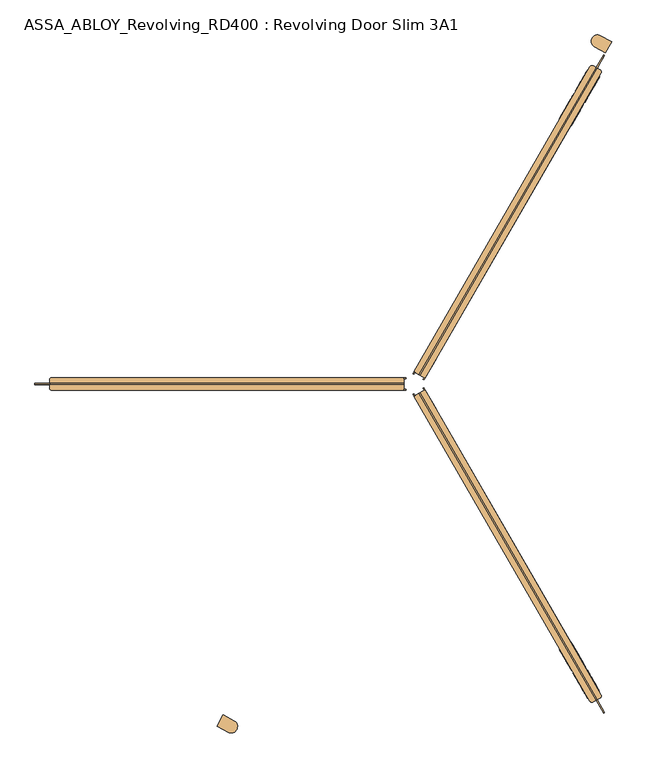
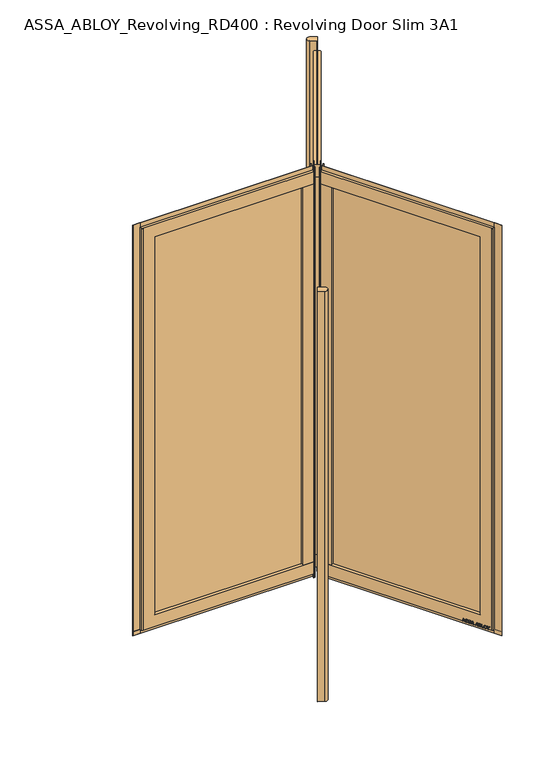
"""IFC4 building model written with IfcOpenShell, lengths in millimetres: door geometry, ASSA_ABLOY_Revolving_RD400 : Revolving Door Slim 3A1."""

from ifc_helpers import new_model, si_unit, point, frame, frame_2d, origin, origin_with_axes, origin_2d, place, context, project, spatial, polyline, circle_curve, trimmed, segment, composite_curve, outline, extrude, source, transform, mapped, element, save
from ifc_brep_helpers import plane_surface, cylinder_surface, advanced_brep


def assa_abloy_revolving_rd400_revolving_door_slim_3a1_2428289f(model_context):
    return source(origin(), model_context, "Body", "SolidModel", [
        extrude(outline(composite_curve([segment(trimmed(circle_curve(origin_2d(), 1200.0), [point((-600.0, -1039.2304845))], [point((-565.0255579, -1058.6529738))], True, "CARTESIAN"), True, "CONTINUOUS"), segment(trimmed(circle_curve(frame_2d((-575.5902563, -1075.6598792)), 20.0211809), [point((-565.0255579, -1058.6529738))], [point((-585.0363192, -1093.3126292))], False, "CARTESIAN"), True, "CONTINUOUS"), segment(trimmed(circle_curve(origin_2d(), 1240.0), [point((-585.0363192, -1093.3126292))], [point((-620.0, -1073.8715007))], False, "CARTESIAN"), True, "CONTINUOUS"), segment(polyline([(-620.0, -1073.8715007), (-600.0, -1039.2304845)]), True, "CONTINUOUS")], self_intersect=False)), origin_with_axes(), (0.0, 0.0, 1.0), 2800.0),
        extrude(outline(composite_curve([segment(trimmed(circle_curve(origin_2d(), 1200.0), [point((600.0, 1039.2304845))], [point((565.0255579, 1058.6529738))], True, "CARTESIAN"), True, "CONTINUOUS"), segment(trimmed(circle_curve(frame_2d((575.5902563, 1075.6598792)), 20.0211809), [point((565.0255579, 1058.6529738))], [point((585.0363192, 1093.3126292))], False, "CARTESIAN"), True, "CONTINUOUS"), segment(trimmed(circle_curve(origin_2d(), 1240.0), [point((585.0363192, 1093.3126292))], [point((620.0, 1073.8715007))], False, "CARTESIAN"), True, "CONTINUOUS"), segment(polyline([(620.0, 1073.8715007), (600.0, 1039.2304845)]), True, "CONTINUOUS")], self_intersect=False)), origin_with_axes(), (0.0, 0.0, 1.0), 2800.0),
        advanced_brep(
        [(-0.8205081, -38.5788383, 28.0), (33.8205081, -18.5788383, 28.0), (586.3205081, -975.5369095, 28.0), (583.3923048, -986.4651127, 28.0), (562.6076952, -998.4651127, 28.0), (551.6794919, -995.5369095, 28.0), (-0.8205081, -38.5788383, 110.0), (514.6794919, -931.4510296, 110.0), (549.3205081, -911.4510296, 110.0), (33.8205081, -18.5788383, 110.0), (33.8205081, -18.5788383, 2689.0), (-0.8205081, -38.5788383, 2689.0), (-0.8205081, -38.5788383, 2771.0), (33.8205081, -18.5788383, 2771.0), (549.3205081, -911.4510296, 2689.0), (514.6794919, -931.4510296, 2689.0), (583.3923048, -986.4651127, 2771.0), (562.6076952, -998.4651127, 2771.0), (551.6794919, -995.5369095, 2771.0), (586.3205081, -975.5369095, 2771.0)],
        [
            (0, 1),
            (1, 2),
            (2, 3, circle_curve(frame((579.3923048, -979.5369095, 28.0), z_axis=(0.0, 0.0, -1.0), x_axis=(-0.8660254037844367, -0.5000000000000033, 0.0)), 8.0)),
            (3, 4),
            (4, 5, circle_curve(frame((558.6076952, -991.5369095, 28.0), z_axis=(0.0, 0.0, -1.0), x_axis=(-0.8660254037844367, -0.5000000000000033, 0.0)), 8.0)),
            (5, 0),
            (6, 7),
            (7, 8),
            (8, 9),
            (9, 6),
            (10, 11),
            (11, 12),
            (12, 13),
            (13, 10),
            (10, 14),
            (14, 15),
            (15, 11),
            (7, 15),
            (14, 8),
            (16, 17),
            (17, 4),
            (3, 16),
            (17, 18, circle_curve(frame((558.6076952, -991.5369095, 2771.0), z_axis=(0.0, 0.0, -1.0), x_axis=(-0.8660254037844367, -0.5000000000000033, 0.0)), 8.0)),
            (18, 5),
            (19, 16, circle_curve(frame((579.3923048, -979.5369095, 2771.0), z_axis=(0.0, 0.0, -1.0), x_axis=(-0.8660254037844367, -0.5000000000000033, 0.0)), 8.0)),
            (2, 19),
            (6, 0),
            (18, 12),
            (1, 9),
            (13, 19),
        ],
        [
            plane_surface(frame((514.6794919, -931.4510296, 28.0), z_axis=(0.0, 0.0, -1.0), x_axis=(-0.5000000000000033, 0.8660254037844367, 0.0))),
            plane_surface(frame((549.3205081, -911.4510296, 110.0), z_axis=(0.0, 0.0, 1.0), x_axis=(-0.5000000000000033, 0.8660254037844367, 0.0))),
            plane_surface(frame((16.5, -28.5788383, 2771.0), z_axis=(-0.5000000000000033, 0.8660254037844367, 0.0), x_axis=(-0.8660254037844367, -0.5000000000000033, 0.0))),
            plane_surface(frame((33.8205081, -18.5788383, 2689.0), z_axis=(0.0, 0.0, -1.0), x_axis=(0.5000000000000033, -0.8660254037844367, 0.0))),
            plane_surface(frame((549.3205081, -911.4510296, 2771.0), z_axis=(-0.5000000000000033, 0.8660254037844367, 0.0), x_axis=(0.0, 0.0, -1.0))),
            plane_surface(frame((562.6076952, -998.4651127, 2771.0), z_axis=(0.5000000000000033, -0.8660254037844367, 0.0), x_axis=(0.0, 0.0, -1.0))),
            cylinder_surface(frame((558.6076952, -991.5369095, 2771.0), z_axis=(0.0, 0.0, 1.0), x_axis=(-0.8660254037844367, -0.5000000000000033, 0.0)), 8.0),
            cylinder_surface(frame((579.3923048, -979.5369095, 2771.0), z_axis=(0.0, 0.0, 1.0), x_axis=(-0.8660254037844367, -0.5000000000000033, 0.0)), 8.0),
            plane_surface(frame((514.6794919, -931.4510296, 110.0), z_axis=(-0.8660254037844367, -0.5000000000000033, 0.0), x_axis=(-0.5000000000000033, 0.8660254037844367, 0.0))),
            plane_surface(frame((549.3205081, -911.4510296, 28.0), z_axis=(0.8660254037844367, 0.5000000000000033, 0.0), x_axis=(-0.5000000000000033, 0.8660254037844367, 0.0))),
            plane_surface(frame((16.5, -28.5788383, 28.0), z_axis=(-0.5000000000000033, 0.8660254037844367, 0.0), x_axis=(-0.8660254037844367, -0.5000000000000033, 0.0))),
            plane_surface(frame((573.0, -992.4651127, 2771.0), z_axis=(0.0, 0.0, 1.0), x_axis=(-0.8660254037844367, -0.5000000000000033, 0.0))),
        ],
        [
            (0, [[1, 2, 3, 4, 5, 6]]),
            (1, [[7, 8, 9, 10]]),
            (2, [[11, 12, 13, 14]]),
            (3, [[-11, 15, 16, 17]]),
            (4, [[-8, 18, -16, 19]]),
            (5, [[20, 21, -4, 22]]),
            (6, [[23, 24, -5, -21]]),
            (7, [[25, -22, -3, 26]]),
            (8, [[-7, 27, -6, -24, 28, -12, -17, -18]]),
            (9, [[29, -9, -19, -15, -14, 30, -26, -2]]),
            (10, [[-27, -10, -29, -1]]),
            (11, [[-28, -23, -20, -25, -30, -13]]),
        ],
    ),
        extrude(outline(polyline([(31.2224319, -20.0788383), (27.7224319, -14.0166605), (30.3205081, -12.5166605), (33.8205081, -18.5788383), (31.2224319, -20.0788383)])), origin_with_axes(), (0.0, 0.0, 1.0), 2800.0),
        extrude(outline(polyline([(68.8205081, -79.2006166), (34.1794919, -99.2006166), (-0.8205081, -38.5788383), (33.8205081, -18.5788383), (68.8205081, -79.2006166)])), frame((0.0, 0.0, 110.0), z_axis=(0.0, 0.0, 1.0), x_axis=(1.0, 0.0, 0.0)), (0.0, 0.0, 1.0), 2579.0),
        extrude(outline(polyline([(594.4844586, -1033.1772796), (571.4844586, -993.340111), (574.5155414, -991.5901145), (597.5155414, -1031.4272831), (594.4844586, -1033.1772796)])), origin_with_axes(), (0.0, 0.0, 1.0), 2800.0),
        extrude(outline(polyline([(594.4844586, -1033.1772796), (14.9844586, -29.4538366), (18.0155414, -27.7038401), (597.5155414, -1031.4272831), (594.4844586, -1033.1772796)])), frame((0.0, 0.0, 2770.0), z_axis=(0.0, 0.0, 1.0), x_axis=(1.0, 0.0, 0.0)), (0.0, 0.0, 1.0), 30.0),
        extrude(outline(polyline([(-1.7224319, -31.0166605), (1.7775681, -37.0788383), (-0.8205081, -38.5788383), (-4.3205081, -32.5166605), (-1.7224319, -31.0166605)])), origin_with_axes(), (0.0, 0.0, 1.0), 2800.0),
        extrude(outline(polyline([(530.4844586, -922.3260279), (49.9844586, -90.0756148), (53.0155414, -88.3256183), (533.5155414, -920.5760314), (530.4844586, -922.3260279)])), frame((0.0, 0.0, 110.0), z_axis=(0.0, 0.0, 1.0), x_axis=(1.0, 0.0, 0.0)), (0.0, 0.0, 1.0), 2579.0),
        extrude(outline(polyline([(594.4844586, -1033.1772796), (14.9844586, -29.4538366), (18.0155414, -27.7038401), (597.5155414, -1031.4272831), (594.4844586, -1033.1772796)])), frame((0.0, 0.0, -2.0), z_axis=(0.0, 0.0, 1.0), x_axis=(1.0, 0.0, 0.0)), (0.0, 0.0, 1.0), 30.0),
        extrude(outline(polyline([(21.1919362, 0.0), (20.214336, -2.6529929), (14.2348715, -2.5853724), (11.2716326, -10.6269535), (15.8652682, -14.4554101), (14.8894584, -17.1035442), (-1.2354289, -3.3526833), (0.0, 0.0), (21.1919362, 0.0)]), holes=[polyline([(11.7626281, -2.5849675), (1.6611384, -2.5160752), (9.3848751, -9.0376682), (11.7626281, -2.5849675)])]), frame((574.7045871, -955.4175442, 47.8848654), z_axis=(0.8660254037844431, 0.499999999999992, 0.0), x_axis=(-0.17288098849125136, 0.299438655729584, -0.9383222555567717)), (0.0, 0.0, 1.0), 2.0),
        extrude(outline(polyline([(3.5121291, 0.0), (5.4926863, -1.2764387), (6.787432, -3.3659463), (7.2092232, -6.1919011), (6.5093631, -9.6341389), (4.8247981, -13.2083906), (2.5145629, -16.157079), (-0.6567352, -15.0446471), (2.4447823, -12.1320668), (4.3562345, -8.7636201), (4.8029446, -4.7524081), (2.9863484, -2.6252693), (0.9295188, -2.6144293), (-0.6628891, -4.2207409), (-1.8238571, -6.2006453), (-3.0893834, -8.4786223), (-6.2388816, -11.6844271), (-9.9996043, -11.7673438), (-13.1300796, -8.3561656), (-12.7977466, -2.5981571), (-11.0920114, 1.0208017), (-9.0699595, 3.711135), (-6.0403681, 2.6484111), (-8.71119, 0.0484616), (-10.6514742, -3.4882218), (-11.0208469, -7.16163), (-9.3614355, -9.1814982), (-7.3063201, -9.1972245), (-5.5118807, -7.3434952), (-4.250422, -5.1162244), (-2.8187321, -2.6852579), (0.0, 0.0), (3.5121291, 0.0)])), frame((562.8396918, -934.8669427, 36.999973), z_axis=(0.8660254037844434, 0.49999999999999223, 0.0), x_axis=(-0.1655035508100835, 0.2866605588361279, -0.9436282629706536)), (0.0, 0.0, 1.0), 2.0),
        extrude(outline(polyline([(3.5121291, 0.0), (5.4926863, -1.2764387), (6.787432, -3.3659463), (7.2092232, -6.1919011), (6.5093631, -9.6341389), (4.8247981, -13.2083906), (2.5145629, -16.157079), (-0.6567352, -15.0446471), (2.4447823, -12.1320668), (4.3562345, -8.7636201), (4.8029446, -4.7524081), (2.9863484, -2.6252693), (0.9295188, -2.6144294), (-0.6628891, -4.2207409), (-1.8238571, -6.2006453), (-3.0893834, -8.4786223), (-6.2388816, -11.6844271), (-9.9996043, -11.7673438), (-13.1300796, -8.3561656), (-12.7977466, -2.5981572), (-11.0920114, 1.0208017), (-9.0699595, 3.711135), (-6.0403681, 2.6484111), (-8.71119, 0.0484616), (-10.6514742, -3.4882218), (-11.0208469, -7.16163), (-9.3614355, -9.1814982), (-7.3063201, -9.1972245), (-5.5118808, -7.3434952), (-4.250422, -5.1162244), (-2.8187321, -2.6852579), (0.0, 0.0), (3.5121291, 0.0)])), frame((553.3943807, -918.507184, 36.999973), z_axis=(0.8660254037844433, 0.4999999999999921, 0.0), x_axis=(-0.1655035508100878, 0.28666055883613534, -0.9436282629706506)), (0.0, 0.0, 1.0), 2.0),
        extrude(outline(polyline([(21.1919362, 0.0), (20.214336, -2.6529929), (14.2348715, -2.5853724), (11.2716326, -10.6269535), (15.8652682, -14.4554101), (14.8894584, -17.1035442), (-1.2354289, -3.3526833), (0.0, 0.0), (21.1919362, 0.0)]), holes=[polyline([(11.7626281, -2.5849675), (1.6611384, -2.5160752), (9.3848751, -9.0376682), (11.7626281, -2.5849675)])]), frame((546.3686538, -906.3382681, 47.8848654), z_axis=(0.8660254037844431, 0.499999999999992, 0.0), x_axis=(-0.17288098849125136, 0.299438655729584, -0.9383222555567717)), (0.0, 0.0, 1.0), 2.0),
        extrude(outline(polyline([(21.1919362, 0.0), (20.214336, -2.6529929), (14.2348715, -2.5853723), (11.2716326, -10.6269535), (15.8652682, -14.4554101), (14.8894584, -17.1035442), (-1.2354289, -3.3526833), (0.0, 0.0), (21.1919362, 0.0)]), holes=[polyline([(11.7626281, -2.5849675), (1.6611384, -2.5160752), (9.3848751, -9.0376682), (11.7626281, -2.5849675)])]), frame((532.1178336, -881.6551234, 47.8848654), z_axis=(0.8660254037844431, 0.499999999999992, 0.0), x_axis=(-0.17288098849125136, 0.299438655729584, -0.9383222555567717)), (0.0, 0.0, 1.0), 2.0),
        extrude(outline(polyline([(3.6247797, 0.0), (5.9232413, -1.3859292), (7.2049821, -3.4426963), (7.5842828, -6.2202287), (6.8194358, -9.6251297), (4.5055294, -16.4081519), (-14.3144162, -9.9880648), (-12.3716711, -4.2930708), (-11.1479956, -1.1951535), (-9.8352433, 0.5920774), (-7.9241126, 1.6554025), (-5.7320771, 1.441087), (-3.7068838, -0.0321766), (-2.8147562, -2.4211002), (0.0, 0.0), (3.6247797, 0.0)]), holes=[polyline([(-5.2214253, -2.9241786), (-9.3653605, -2.9303687), (-10.1960736, -5.1008933), (-11.2627443, -8.2277488), (-5.9304264, -10.0467735), (-4.7734732, -6.6552625), (-5.2214253, -2.9241786)]), polyline([(2.8765907, -2.5461078), (0.9746905, -2.291247), (-0.5832315, -3.1932875), (-1.5099769, -4.5787396), (-2.3470909, -6.7279308), (-3.734766, -10.7957837), (3.1658807, -13.1498156), (4.3362091, -9.7190963), (5.1175974, -6.8751817), (5.1102534, -4.8838351), (4.3679308, -3.4351117), (2.8765907, -2.5461078)])]), frame((519.9254076, -860.5372222, 37.561824), z_axis=(0.8660254037844433, 0.4999999999999922, 0.0), x_axis=(-0.1614314953418267, 0.27960755187386827, -0.9464457138403681)), (0.0, 0.0, 1.0), 2.0),
        extrude(outline(polyline([(2.319901, 0.0), (2.319901, -12.5937481), (-17.5649644, -12.5937481), (-17.5649644, -9.9424327), (0.0, -9.9424327), (0.0, 0.0), (2.319901, 0.0)])), frame((511.2206006, -845.4600542, 30.319901), z_axis=(0.8660254037844433, 0.49999999999999206, 0.0), x_axis=(0.0, 0.0, -1.0)), (0.0, 0.0, 1.0), 2.0),
        extrude(outline(polyline([(3.4755122, 0.0), (6.8343333, -1.6217536), (9.841779, -4.8358203), (11.7934802, -8.7947164), (12.1283676, -12.475947), (10.9175762, -15.7640054), (8.2007386, -18.4707048), (4.7147757, -20.0502836), (1.2097864, -20.048671), (-2.1257686, -18.4422905), (-5.1361655, -15.2239686), (-7.0812776, -11.3109182), (-7.4345588, -7.5668217), (-6.1998493, -4.2905332), (-3.5095377, -1.5864764), (0.0, 0.0), (3.4755122, 0.0)]), holes=[polyline([(7.663169, -6.3468237), (2.8864762, -2.494471), (-2.1788995, -3.4868579), (-4.8960978, -7.8921765), (-2.9575554, -13.7129652), (1.8513939, -17.5618518), (6.8871209, -16.5585186), (9.5892894, -12.1951337), (7.663169, -6.3468237)])]), frame((503.9437238, -832.8561337, 47.5197917), z_axis=(0.8660254037844433, 0.4999999999999921, 0.0), x_axis=(-0.41085457557085336, 0.71162099941088, -0.5699070721880493)), (0.0, 0.0, 1.0), 2.0),
        extrude(outline(polyline([(3.1691504, 0.0), (-4.121967, -11.1645234), (-4.121967, -19.8848654), (-6.7732824, -19.8848654), (-6.7732824, -11.4441543), (-14.0643997, 0.0), (-10.921141, 0.0), (-5.4320896, -8.8964059), (0.0, 0.0), (3.1691504, 0.0)])), frame((493.417432, -814.6240616, 47.8848654), z_axis=(0.8660254037844433, 0.49999999999999206, 0.0), x_axis=(-0.49999999999999206, 0.8660254037844433, 0.0)), (0.0, 0.0, 1.0), 2.0),
        extrude(outline(polyline([(-21.1919363, 1e-07), (0.0, 0.0), (1.2354289, -3.3526833), (-14.8894584, -17.1035441), (-15.8652682, -14.4554101), (-11.2716326, -10.6269535), (-14.2348715, -2.5853724), (-20.214336, -2.6529929), (-21.1919363, 1e-07)]), holes=[polyline([(-11.7626281, -2.5849675), (-9.3848751, -9.0376682), (-1.6611384, -2.5160752), (-11.7626281, -2.5849675)])]), frame((461.2414181, -842.8935706, 47.8848654), z_axis=(0.86602540378444, 0.49999999999999767, 0.0), x_axis=(-0.17288098849125333, 0.299438655729583, 0.9383222555567716)), (0.0, 0.0, 1.0), 2.0),
        extrude(outline(polyline([(-3.5121291, 0.0), (0.0, 0.0), (2.8187321, -2.6852579), (4.250422, -5.1162245), (5.5118808, -7.3434952), (7.3063201, -9.1972246), (9.3614355, -9.1814983), (11.0208469, -7.1616301), (10.6514742, -3.4882218), (8.71119, 0.0484617), (6.0403681, 2.6484111), (9.0699595, 3.711135), (11.0920114, 1.0208016), (12.7977466, -2.5981572), (13.1300796, -8.3561656), (9.9996043, -11.7673439), (6.2388815, -11.6844271), (3.0893834, -8.4786223), (1.8238571, -6.2006452), (0.6628891, -4.2207409), (-0.9295188, -2.6144294), (-2.9863484, -2.6252693), (-4.8029446, -4.7524082), (-4.3562346, -8.76362), (-2.4447822, -12.1320668), (0.6567353, -15.0446472), (-2.5145629, -16.1570791), (-4.8247981, -13.2083906), (-6.5093631, -9.6341389), (-7.2092232, -6.1919012), (-6.787432, -3.3659463), (-5.4926863, -1.2764387), (-3.5121291, 0.0)])), frame((473.1063134, -863.4441721, 36.999973), z_axis=(0.86602540378444, 0.4999999999999977, 0.0), x_axis=(-0.16550355081008533, 0.28666055883612684, 0.9436282629706536)), (0.0, 0.0, 1.0), 2.0),
        extrude(outline(polyline([(-3.5121291, 0.0), (0.0, 0.0), (2.8187321, -2.6852579), (4.250422, -5.1162245), (5.5118808, -7.3434952), (7.3063201, -9.1972246), (9.3614355, -9.1814983), (11.0208469, -7.1616301), (10.6514742, -3.4882218), (8.71119, 0.0484617), (6.0403681, 2.6484111), (9.0699595, 3.711135), (11.0920114, 1.0208016), (12.7977466, -2.5981572), (13.1300796, -8.3561656), (9.9996043, -11.7673439), (6.2388815, -11.6844271), (3.0893834, -8.4786223), (1.8238571, -6.2006452), (0.6628891, -4.2207409), (-0.9295188, -2.6144294), (-2.9863484, -2.6252693), (-4.8029446, -4.7524082), (-4.3562346, -8.76362), (-2.4447822, -12.1320668), (0.6567353, -15.0446472), (-2.5145629, -16.1570791), (-4.8247981, -13.2083906), (-6.5093631, -9.6341389), (-7.2092232, -6.1919012), (-6.787432, -3.3659463), (-5.4926863, -1.2764387), (-3.5121291, 0.0)])), frame((482.5516245, -879.8039308, 36.999973), z_axis=(0.86602540378444, 0.4999999999999977, 0.0), x_axis=(-0.16550355081008533, 0.28666055883612684, 0.9436282629706536)), (0.0, 0.0, 1.0), 2.0),
        extrude(outline(polyline([(-21.1919363, 1e-07), (0.0, 0.0), (1.2354289, -3.3526833), (-14.8894584, -17.103544), (-15.8652682, -14.4554101), (-11.2716326, -10.6269535), (-14.2348715, -2.5853723), (-20.214336, -2.6529929), (-21.1919363, 1e-07)]), holes=[polyline([(-11.7626281, -2.5849674), (-9.3848751, -9.0376682), (-1.6611384, -2.5160752), (-11.7626281, -2.5849674)])]), frame((489.5773513, -891.9728467, 47.8848654), z_axis=(0.86602540378444, 0.49999999999999767, 0.0), x_axis=(-0.17288098849125333, 0.299438655729583, 0.9383222555567716)), (0.0, 0.0, 1.0), 2.0),
        extrude(outline(polyline([(-21.1919363, 1e-07), (0.0, 0.0), (1.2354289, -3.3526833), (-14.8894584, -17.1035441), (-15.8652682, -14.4554101), (-11.2716326, -10.6269535), (-14.2348715, -2.5853724), (-20.214336, -2.6529929), (-21.1919363, 1e-07)]), holes=[polyline([(-11.7626281, -2.5849675), (-9.3848751, -9.0376681), (-1.6611384, -2.5160752), (-11.7626281, -2.5849675)])]), frame((503.8281716, -916.6559914, 47.8848654), z_axis=(0.86602540378444, 0.49999999999999767, 0.0), x_axis=(-0.17288098849125333, 0.299438655729583, 0.9383222555567716)), (0.0, 0.0, 1.0), 2.0),
        extrude(outline(polyline([(-3.6247797, -1e-07), (0.0, 0.0), (2.8147562, -2.4211002), (3.7068839, -0.0321766), (5.7320771, 1.441087), (7.9241126, 1.6554025), (9.8352432, 0.5920774), (11.1479956, -1.1951535), (12.3716711, -4.2930708), (14.3144162, -9.9880648), (-4.5055294, -16.4081519), (-6.8194358, -9.6251298), (-7.5842828, -6.2202288), (-7.204982, -3.4426963), (-5.9232413, -1.3859292), (-3.6247797, -1e-07)]), holes=[polyline([(5.2214253, -2.9241787), (4.7734732, -6.6552624), (5.9304264, -10.0467735), (11.2627443, -8.2277488), (10.1960736, -5.1008933), (9.3653605, -2.9303688), (5.2214253, -2.9241787)]), polyline([(-2.8765906, -2.5461079), (-4.3679308, -3.4351117), (-5.1102534, -4.8838351), (-5.1175974, -6.8751818), (-4.3362091, -9.7190964), (-3.1658807, -13.1498156), (3.734766, -10.7957837), (2.347091, -6.7279308), (1.5099769, -4.5787397), (0.5832315, -3.1932876), (-0.9746905, -2.291247), (-2.8765906, -2.5461079)])]), frame((516.0205975, -937.7738927, 37.561824), z_axis=(0.8660254037844402, 0.4999999999999977, 0.0), x_axis=(-0.1614314953418285, 0.2796075518738672, 0.9464457138403681)), (0.0, 0.0, 1.0), 2.0),
        extrude(outline(polyline([(-2.319901, 0.0), (0.0, 0.0), (0.0, -9.9424327), (17.5649644, -9.9424327), (17.5649644, -12.5937481), (-2.319901, -12.5937481), (-2.319901, 0.0)])), frame((524.7254045, -952.8510606, 30.319901), z_axis=(0.86602540378444, 0.49999999999999767, 0.0), x_axis=(0.0, 0.0, 1.0)), (0.0, 0.0, 1.0), 2.0),
        extrude(outline(polyline([(-3.4755122, 0.0), (0.0, 0.0), (3.5095376, -1.5864763), (6.1998493, -4.2905332), (7.4345587, -7.5668217), (7.0812776, -11.3109182), (5.1361655, -15.2239686), (2.1257687, -18.4422905), (-1.2097864, -20.048671), (-4.7147757, -20.0502836), (-8.2007387, -18.4707048), (-10.9175762, -15.7640054), (-12.1283676, -12.475947), (-11.7934802, -8.7947164), (-9.8417791, -4.8358203), (-6.8343334, -1.6217536), (-3.4755122, 0.0)]), holes=[polyline([(-7.6631689, -6.3468237), (-9.5892893, -12.1951337), (-6.8871209, -16.5585186), (-1.8513938, -17.5618518), (2.9575554, -13.7129652), (4.8960978, -7.8921765), (2.1788995, -3.4868579), (-2.8864763, -2.494471), (-7.6631689, -6.3468237)])]), frame((532.0022814, -965.4549811, 47.5197917), z_axis=(0.8660254037844402, 0.49999999999999767, 0.0), x_axis=(-0.41085457557085897, 0.7116209994108791, 0.5699070721880464)), (0.0, 0.0, 1.0), 2.0),
        extrude(outline(polyline([(-3.1691504, 0.0), (0.0, 0.0), (5.4320896, -8.8964059), (10.921141, 0.0), (14.0643996, 0.0), (6.7732822, -11.4441543), (6.7732822, -19.8848654), (4.1219669, -19.8848654), (4.1219669, -11.1645234), (-3.1691504, 0.0)])), frame((542.5285731, -983.6870532, 47.8848654), z_axis=(0.86602540378444, 0.49999999999999767, 0.0), x_axis=(-0.49999999999999767, 0.86602540378444, 0.0)), (0.0, 0.0, 1.0), 2.0),
        advanced_brep(
        [(33.8205081, 18.5788383, 28.0), (-0.8205081, 38.5788383, 28.0), (551.6794919, 995.5369095, 28.0), (562.6076952, 998.4651127, 28.0), (583.3923048, 986.4651127, 28.0), (586.3205081, 975.5369095, 28.0), (33.8205081, 18.5788383, 110.0), (549.3205081, 911.4510296, 110.0), (514.6794919, 931.4510296, 110.0), (-0.8205081, 38.5788383, 110.0), (-0.8205081, 38.5788383, 2689.0), (33.8205081, 18.5788383, 2689.0), (33.8205081, 18.5788383, 2771.0), (-0.8205081, 38.5788383, 2771.0), (514.6794919, 931.4510296, 2689.0), (549.3205081, 911.4510296, 2689.0), (562.6076952, 998.4651127, 2771.0), (583.3923048, 986.4651127, 2771.0), (586.3205081, 975.5369095, 2771.0), (551.6794919, 995.5369095, 2771.0)],
        [
            (0, 1),
            (1, 2),
            (2, 3, circle_curve(frame((558.6076952, 991.5369095, 28.0), z_axis=(0.0, 0.0, -1.0), x_axis=(0.8660254037844428, -0.49999999999999295, 0.0)), 8.0)),
            (3, 4),
            (4, 5, circle_curve(frame((579.3923048, 979.5369095, 28.0), z_axis=(0.0, 0.0, -1.0), x_axis=(0.8660254037844428, -0.49999999999999295, 0.0)), 8.0)),
            (5, 0),
            (6, 7),
            (7, 8),
            (8, 9),
            (9, 6),
            (10, 11),
            (11, 12),
            (12, 13),
            (13, 10),
            (10, 14),
            (14, 15),
            (15, 11),
            (7, 15),
            (14, 8),
            (16, 17),
            (17, 4),
            (3, 16),
            (17, 18, circle_curve(frame((579.3923048, 979.5369095, 2771.0), z_axis=(0.0, 0.0, -1.0), x_axis=(0.8660254037844428, -0.49999999999999295, 0.0)), 8.0)),
            (18, 5),
            (19, 16, circle_curve(frame((558.6076952, 991.5369095, 2771.0), z_axis=(0.0, 0.0, -1.0), x_axis=(0.8660254037844428, -0.49999999999999295, 0.0)), 8.0)),
            (2, 19),
            (6, 0),
            (18, 12),
            (1, 9),
            (13, 19),
        ],
        [
            plane_surface(frame((549.3205081, 911.4510296, 28.0), z_axis=(0.0, 0.0, -1.0000000000000002), x_axis=(-0.49999999999999295, -0.8660254037844428, 0.0))),
            plane_surface(frame((514.6794919, 931.4510296, 110.0), z_axis=(0.0, 0.0, 1.0000000000000002), x_axis=(-0.49999999999999295, -0.8660254037844428, 0.0))),
            plane_surface(frame((16.5, 28.5788383, 2771.0), z_axis=(-0.49999999999999295, -0.8660254037844428, 0.0), x_axis=(0.8660254037844428, -0.49999999999999295, 0.0))),
            plane_surface(frame((-0.8205081, 38.5788383, 2689.0), z_axis=(0.0, 0.0, -1.0000000000000002), x_axis=(0.49999999999999295, 0.8660254037844428, 0.0))),
            plane_surface(frame((514.6794919, 931.4510296, 2771.0), z_axis=(-0.49999999999999295, -0.8660254037844428, 0.0), x_axis=(0.0, 0.0, -1.0))),
            plane_surface(frame((583.3923048, 986.4651127, 2771.0), z_axis=(0.49999999999999295, 0.8660254037844428, 0.0), x_axis=(0.0, 0.0, -1.0))),
            cylinder_surface(frame((579.3923048, 979.5369095, 2771.0), z_axis=(0.0, 0.0, 1.0), x_axis=(0.8660254037844428, -0.49999999999999295, 0.0)), 8.0),
            cylinder_surface(frame((558.6076952, 991.5369095, 2771.0), z_axis=(0.0, 0.0, 1.0), x_axis=(0.8660254037844428, -0.49999999999999295, 0.0)), 8.0),
            plane_surface(frame((549.3205081, 911.4510296, 110.0), z_axis=(0.8660254037844428, -0.49999999999999295, 0.0), x_axis=(-0.49999999999999295, -0.8660254037844428, 0.0))),
            plane_surface(frame((514.6794919, 931.4510296, 28.0), z_axis=(-0.8660254037844428, 0.49999999999999295, 0.0), x_axis=(-0.49999999999999295, -0.8660254037844428, 0.0))),
            plane_surface(frame((16.5, 28.5788383, 28.0), z_axis=(-0.49999999999999295, -0.8660254037844428, 0.0), x_axis=(0.8660254037844428, -0.49999999999999295, 0.0))),
            plane_surface(frame((573.0, 992.4651127, 2771.0), z_axis=(0.0, 0.0, 1.0000000000000002), x_axis=(0.8660254037844428, -0.49999999999999295, 0.0))),
        ],
        [
            (0, [[1, 2, 3, 4, 5, 6]]),
            (1, [[7, 8, 9, 10]]),
            (2, [[11, 12, 13, 14]]),
            (3, [[-11, 15, 16, 17]]),
            (4, [[-8, 18, -16, 19]]),
            (5, [[20, 21, -4, 22]]),
            (6, [[23, 24, -5, -21]]),
            (7, [[25, -22, -3, 26]]),
            (8, [[-7, 27, -6, -24, 28, -12, -17, -18]]),
            (9, [[29, -9, -19, -15, -14, 30, -26, -2]]),
            (10, [[-27, -10, -29, -1]]),
            (11, [[-28, -23, -20, -25, -30, -13]]),
        ],
    ),
        extrude(outline(polyline([(1.7775681, 37.0788383), (-1.7224319, 31.0166605), (-4.3205081, 32.5166605), (-0.8205081, 38.5788383), (1.7775681, 37.0788383)])), origin_with_axes(), (0.0, 0.0, 1.0), 2800.0),
        extrude(outline(polyline([(34.1794919, 99.2006166), (68.8205081, 79.2006166), (33.8205081, 18.5788383), (-0.8205081, 38.5788383), (34.1794919, 99.2006166)])), frame((0.0, 0.0, 110.0), z_axis=(0.0, 0.0, 1.0), x_axis=(1.0, 0.0, 0.0)), (0.0, 0.0, 1.0), 2579.0),
        extrude(outline(polyline([(597.5155414, 1031.4272831), (574.5155414, 991.5901145), (571.4844586, 993.340111), (594.4844586, 1033.1772796), (597.5155414, 1031.4272831)])), origin_with_axes(), (0.0, 0.0, 1.0), 2800.0),
        extrude(outline(polyline([(597.5155414, 1031.4272831), (18.0155414, 27.7038401), (14.9844586, 29.4538366), (594.4844586, 1033.1772796), (597.5155414, 1031.4272831)])), frame((0.0, 0.0, 2770.0), z_axis=(0.0, 0.0, 1.0), x_axis=(1.0, 0.0, 0.0)), (0.0, 0.0, 1.0), 30.0),
        extrude(outline(polyline([(27.7224319, 14.0166605), (31.2224319, 20.0788383), (33.8205081, 18.5788383), (30.3205081, 12.5166605), (27.7224319, 14.0166605)])), origin_with_axes(), (0.0, 0.0, 1.0), 2800.0),
        extrude(outline(polyline([(533.5155414, 920.5760314), (53.0155414, 88.3256183), (49.9844586, 90.0756148), (530.4844586, 922.3260279), (533.5155414, 920.5760314)])), frame((0.0, 0.0, 110.0), z_axis=(0.0, 0.0, 1.0), x_axis=(1.0, 0.0, 0.0)), (0.0, 0.0, 1.0), 2579.0),
        extrude(outline(polyline([(597.5155414, 1031.4272831), (18.0155414, 27.7038401), (14.9844586, 29.4538366), (594.4844586, 1033.1772796), (597.5155414, 1031.4272831)])), frame((0.0, 0.0, -2.0), z_axis=(0.0, 0.0, 1.0), x_axis=(1.0, 0.0, 0.0)), (0.0, 0.0, 1.0), 30.0),
        extrude(outline(polyline([(21.1919362, 0.0), (20.214336, -2.6529929), (14.2348715, -2.5853724), (11.2716326, -10.6269535), (15.8652682, -14.4554101), (14.8894584, -17.1035442), (-1.2354289, -3.3526833), (0.0, 0.0), (21.1919362, 0.0)]), holes=[polyline([(11.7626281, -2.5849675), (1.6611384, -2.5160752), (9.3848751, -9.0376682), (11.7626281, -2.5849675)])]), frame((540.0635709, 975.4175442, 47.8848654), z_axis=(-0.8660254037844363, 0.5000000000000042, 0.0), x_axis=(-0.17288098849125555, -0.29943865572958167, -0.9383222555567717)), (0.0, 0.0, 1.0), 2.0),
        extrude(outline(polyline([(3.5121291, 0.0), (5.4926863, -1.2764387), (6.787432, -3.3659463), (7.2092232, -6.1919012), (6.5093631, -9.6341389), (4.824798, -13.2083907), (2.5145629, -16.1570791), (-0.6567353, -15.0446472), (2.4447822, -12.1320668), (4.3562346, -8.76362), (4.8029446, -4.7524082), (2.9863484, -2.6252693), (0.9295188, -2.6144294), (-0.6628891, -4.2207409), (-1.8238571, -6.2006453), (-3.0893834, -8.4786223), (-6.2388816, -11.6844271), (-9.9996043, -11.7673439), (-13.1300796, -8.3561656), (-12.7977466, -2.5981572), (-11.0920114, 1.0208016), (-9.0699595, 3.711135), (-6.0403681, 2.6484111), (-8.71119, 0.0484616), (-10.6514742, -3.4882218), (-11.0208469, -7.1616301), (-9.3614355, -9.1814983), (-7.3063201, -9.1972246), (-5.5118808, -7.3434952), (-4.250422, -5.1162245), (-2.8187321, -2.6852579), (0.0, 0.0), (3.5121291, 0.0)])), frame((528.1986756, 954.8669427, 36.999973), z_axis=(-0.8660254037844363, 0.5000000000000042, 0.0), x_axis=(-0.1655035508100875, -0.28666055883612557, -0.9436282629706536)), (0.0, 0.0, 1.0), 2.0),
        extrude(outline(polyline([(3.5121291, 0.0), (5.4926863, -1.2764387), (6.787432, -3.3659463), (7.2092232, -6.1919011), (6.5093631, -9.6341389), (4.8247981, -13.2083906), (2.5145629, -16.157079), (-0.6567352, -15.0446471), (2.4447823, -12.1320668), (4.3562345, -8.76362), (4.8029446, -4.7524081), (2.9863484, -2.6252692), (0.9295188, -2.6144293), (-0.6628891, -4.2207408), (-1.8238571, -6.2006452), (-3.0893834, -8.4786223), (-6.2388815, -11.6844271), (-9.9996043, -11.7673438), (-13.1300796, -8.3561655), (-12.7977466, -2.5981571), (-11.0920114, 1.0208017), (-9.0699595, 3.711135), (-6.040368, 2.6484112), (-8.71119, 0.0484616), (-10.6514742, -3.4882218), (-11.0208469, -7.16163), (-9.3614355, -9.1814982), (-7.3063201, -9.1972245), (-5.5118807, -7.3434952), (-4.250422, -5.1162244), (-2.818732, -2.6852579), (0.0, 0.0), (3.5121291, 0.0)])), frame((518.7533646, 938.507184, 36.999973), z_axis=(-0.8660254037844362, 0.5000000000000041, 0.0), x_axis=(-0.1655035508100918, -0.286660558836133, -0.9436282629706506)), (0.0, 0.0, 1.0), 2.0),
        extrude(outline(polyline([(21.1919362, 0.0), (20.214336, -2.6529929), (14.2348715, -2.5853723), (11.2716326, -10.6269535), (15.8652682, -14.4554101), (14.8894584, -17.1035441), (-1.2354289, -3.3526833), (0.0, 0.0), (21.1919362, 0.0)]), holes=[polyline([(11.7626281, -2.5849674), (1.6611384, -2.5160752), (9.3848751, -9.0376682), (11.7626281, -2.5849674)])]), frame((511.7276377, 926.3382681, 47.8848654), z_axis=(-0.8660254037844363, 0.5000000000000042, 0.0), x_axis=(-0.17288098849125555, -0.29943865572958167, -0.9383222555567717)), (0.0, 0.0, 1.0), 2.0),
        extrude(outline(polyline([(21.1919362, 0.0), (20.214336, -2.6529929), (14.2348715, -2.5853724), (11.2716326, -10.6269535), (15.8652682, -14.4554101), (14.8894584, -17.1035442), (-1.2354289, -3.3526833), (0.0, 0.0), (21.1919362, 0.0)]), holes=[polyline([(11.7626281, -2.5849675), (1.6611384, -2.5160752), (9.3848751, -9.0376682), (11.7626281, -2.5849675)])]), frame((497.4768174, 901.6551234, 47.8848654), z_axis=(-0.8660254037844363, 0.5000000000000042, 0.0), x_axis=(-0.17288098849125555, -0.29943865572958167, -0.9383222555567717)), (0.0, 0.0, 1.0), 2.0),
        extrude(outline(polyline([(3.6247797, 0.0), (5.9232413, -1.3859292), (7.2049821, -3.4426962), (7.5842828, -6.2202287), (6.8194358, -9.6251297), (4.5055294, -16.4081518), (-14.3144162, -9.9880647), (-12.3716711, -4.2930708), (-11.1479955, -1.1951534), (-9.8352432, 0.5920774), (-7.9241126, 1.6554025), (-5.7320771, 1.441087), (-3.7068838, -0.0321766), (-2.8147562, -2.4211001), (0.0, 0.0), (3.6247797, 0.0)]), holes=[polyline([(-5.2214252, -2.9241786), (-9.3653605, -2.9303687), (-10.1960736, -5.1008933), (-11.2627443, -8.2277488), (-5.9304264, -10.0467734), (-4.7734732, -6.6552624), (-5.2214252, -2.9241786)]), polyline([(2.8765907, -2.5461078), (0.9746905, -2.291247), (-0.5832315, -3.1932875), (-1.5099769, -4.5787396), (-2.3470909, -6.7279308), (-3.734766, -10.7957836), (3.1658807, -13.1498156), (4.3362091, -9.7190963), (5.1175975, -6.8751817), (5.1102534, -4.8838351), (4.3679308, -3.4351117), (2.8765907, -2.5461078)])]), frame((485.2843915, 880.5372222, 37.561824), z_axis=(-0.8660254037844362, 0.5000000000000042, 0.0), x_axis=(-0.1614314953418306, -0.27960755187386604, -0.9464457138403681)), (0.0, 0.0, 1.0), 2.0),
        extrude(outline(polyline([(2.319901, 0.0), (2.319901, -12.5937481), (-17.5649644, -12.5937481), (-17.5649644, -9.9424327), (0.0, -9.9424327), (0.0, 0.0), (2.319901, 0.0)])), frame((476.5795845, 865.4600542, 30.319901), z_axis=(-0.8660254037844363, 0.5000000000000042, 0.0), x_axis=(0.0, 0.0, -1.0)), (0.0, 0.0, 1.0), 2.0),
        extrude(outline(polyline([(3.4755122, 0.0), (6.8343333, -1.6217536), (9.841779, -4.8358204), (11.7934802, -8.7947164), (12.1283676, -12.475947), (10.9175762, -15.7640054), (8.2007386, -18.4707048), (4.7147757, -20.0502836), (1.2097864, -20.048671), (-2.1257687, -18.4422905), (-5.1361655, -15.2239686), (-7.0812776, -11.3109182), (-7.4345588, -7.5668217), (-6.1998493, -4.2905332), (-3.5095377, -1.5864764), (0.0, 0.0), (3.4755122, 0.0)]), holes=[polyline([(7.6631689, -6.3468237), (2.8864762, -2.4944711), (-2.1788995, -3.4868579), (-4.8960978, -7.8921765), (-2.9575554, -13.7129652), (1.8513938, -17.5618518), (6.8871209, -16.5585186), (9.5892893, -12.1951337), (7.6631689, -6.3468237)])]), frame((469.3027076, 852.8561337, 47.5197917), z_axis=(-0.8660254037844362, 0.5000000000000041, 0.0), x_axis=(-0.4108545755708633, -0.7116209994108742, -0.5699070721880491)), (0.0, 0.0, 1.0), 2.0),
        extrude(outline(polyline([(3.1691504, 0.0), (-4.1219669, -11.1645234), (-4.1219669, -19.8848654), (-6.7732823, -19.8848654), (-6.7732823, -11.4441543), (-14.0643996, 0.0), (-10.921141, 0.0), (-5.4320896, -8.8964059), (0.0, 0.0), (3.1691504, 0.0)])), frame((458.7764159, 834.6240616, 47.8848654), z_axis=(-0.8660254037844363, 0.5000000000000042, 0.0), x_axis=(-0.5000000000000042, -0.8660254037844363, 0.0)), (0.0, 0.0, 1.0), 2.0),
        extrude(outline(polyline([(-21.1919363, 1e-07), (0.0, 0.0), (1.2354289, -3.3526833), (-14.8894584, -17.103544), (-15.8652682, -14.4554101), (-11.2716326, -10.6269535), (-14.2348715, -2.5853723), (-20.214336, -2.6529928), (-21.1919363, 1e-07)]), holes=[polyline([(-11.7626281, -2.5849674), (-9.3848751, -9.0376681), (-1.6611384, -2.5160752), (-11.7626281, -2.5849674)])]), frame((499.3465358, 820.8935706, 47.8848654), z_axis=(-0.8660254037844394, 0.49999999999999856, 0.0), x_axis=(-0.1728809884912537, -0.2994386557295829, 0.9383222555567716)), (0.0, 0.0, 1.0), 2.0),
        extrude(outline(polyline([(-3.5121291, 0.0), (0.0, 0.0), (2.8187321, -2.6852579), (4.250422, -5.1162244), (5.5118807, -7.3434952), (7.3063201, -9.1972245), (9.3614355, -9.1814982), (11.0208469, -7.16163), (10.6514742, -3.4882218), (8.71119, 0.0484617), (6.0403681, 2.6484111), (9.0699595, 3.711135), (11.0920114, 1.0208017), (12.7977466, -2.5981571), (13.1300796, -8.3561656), (9.9996043, -11.7673438), (6.2388815, -11.684427), (3.0893834, -8.4786223), (1.8238571, -6.2006451), (0.6628891, -4.2207408), (-0.9295188, -2.6144293), (-2.9863484, -2.6252692), (-4.8029446, -4.7524081), (-4.3562346, -8.76362), (-2.4447823, -12.1320668), (0.6567352, -15.0446471), (-2.5145629, -16.157079), (-4.8247981, -13.2083905), (-6.5093631, -9.6341389), (-7.2092232, -6.1919011), (-6.787432, -3.3659463), (-5.4926863, -1.2764387), (-3.5121291, 0.0)])), frame((511.2114311, 841.4441721, 36.999973), z_axis=(-0.8660254037844395, 0.49999999999999867, 0.0), x_axis=(-0.16550355081008566, -0.2866605588361266, 0.9436282629706536)), (0.0, 0.0, 1.0), 2.0),
        extrude(outline(polyline([(-3.5121291, 0.0), (0.0, 0.0), (2.8187321, -2.6852579), (4.250422, -5.1162244), (5.5118807, -7.3434952), (7.3063201, -9.1972245), (9.3614355, -9.1814982), (11.0208469, -7.16163), (10.6514742, -3.4882218), (8.71119, 0.0484617), (6.0403681, 2.6484111), (9.0699595, 3.711135), (11.0920114, 1.0208017), (12.7977466, -2.5981571), (13.1300796, -8.3561656), (9.9996043, -11.7673438), (6.2388815, -11.6844271), (3.0893834, -8.4786223), (1.8238571, -6.2006451), (0.6628891, -4.2207408), (-0.9295188, -2.6144293), (-2.9863484, -2.6252692), (-4.8029446, -4.7524081), (-4.3562346, -8.76362), (-2.4447823, -12.1320668), (0.6567352, -15.0446471), (-2.5145629, -16.157079), (-4.8247981, -13.2083905), (-6.5093631, -9.6341389), (-7.2092232, -6.1919011), (-6.787432, -3.3659463), (-5.4926863, -1.2764387), (-3.5121291, 0.0)])), frame((520.6567422, 857.8039308, 36.999973), z_axis=(-0.8660254037844395, 0.49999999999999867, 0.0), x_axis=(-0.16550355081008566, -0.2866605588361266, 0.9436282629706536)), (0.0, 0.0, 1.0), 2.0),
        extrude(outline(polyline([(-21.1919362, 0.0), (0.0, 0.0), (1.2354289, -3.3526833), (-14.8894584, -17.1035441), (-15.8652682, -14.4554101), (-11.2716326, -10.6269535), (-14.2348715, -2.5853724), (-20.214336, -2.6529929), (-21.1919362, 0.0)]), holes=[polyline([(-11.7626281, -2.5849675), (-9.3848751, -9.0376682), (-1.6611384, -2.5160752), (-11.7626281, -2.5849675)])]), frame((527.6824691, 869.9728467, 47.8848654), z_axis=(-0.8660254037844394, 0.49999999999999856, 0.0), x_axis=(-0.1728809884912537, -0.2994386557295829, 0.9383222555567716)), (0.0, 0.0, 1.0), 2.0),
        extrude(outline(polyline([(-21.1919363, 1e-07), (0.0, 0.0), (1.2354289, -3.3526833), (-14.8894584, -17.103544), (-15.8652682, -14.4554101), (-11.2716326, -10.6269535), (-14.2348715, -2.5853723), (-20.214336, -2.6529929), (-21.1919363, 1e-07)]), holes=[polyline([(-11.7626281, -2.5849674), (-9.3848751, -9.0376681), (-1.6611384, -2.5160752), (-11.7626281, -2.5849674)])]), frame((541.9332893, 894.6559914, 47.8848654), z_axis=(-0.8660254037844394, 0.49999999999999856, 0.0), x_axis=(-0.1728809884912537, -0.2994386557295829, 0.9383222555567716)), (0.0, 0.0, 1.0), 2.0),
        extrude(outline(polyline([(-3.6247797, -1e-07), (0.0, 0.0), (2.8147562, -2.4211002), (3.7068839, -0.0321766), (5.7320771, 1.441087), (7.9241126, 1.6554025), (9.8352433, 0.5920774), (11.1479956, -1.1951535), (12.3716711, -4.2930708), (14.3144162, -9.9880649), (-4.5055294, -16.408152), (-6.8194358, -9.6251298), (-7.5842828, -6.2202288), (-7.204982, -3.4426963), (-5.9232413, -1.3859292), (-3.6247797, -1e-07)]), holes=[polyline([(5.2214253, -2.9241787), (4.7734732, -6.6552624), (5.9304264, -10.0467736), (11.2627443, -8.2277489), (10.1960736, -5.1008933), (9.3653605, -2.9303688), (5.2214253, -2.9241787)]), polyline([(-2.8765906, -2.5461079), (-4.3679308, -3.4351118), (-5.1102533, -4.8838352), (-5.1175974, -6.8751818), (-4.3362091, -9.7190964), (-3.1658807, -13.1498157), (3.7347661, -10.7957837), (2.347091, -6.7279309), (1.5099769, -4.5787397), (0.5832315, -3.1932876), (-0.9746905, -2.291247), (-2.8765906, -2.5461079)])]), frame((554.1257153, 915.7738927, 37.561824), z_axis=(-0.8660254037844394, 0.4999999999999986, 0.0), x_axis=(-0.1614314953418288, -0.2796075518738671, 0.9464457138403681)), (0.0, 0.0, 1.0), 2.0),
        extrude(outline(polyline([(-2.319901, 0.0), (0.0, 0.0), (0.0, -9.9424327), (17.5649644, -9.9424327), (17.5649644, -12.5937481), (-2.319901, -12.5937481), (-2.319901, 0.0)])), frame((562.8305223, 930.8510606, 30.319901), z_axis=(-0.8660254037844395, 0.4999999999999986, 0.0), x_axis=(0.0, 0.0, 1.0)), (0.0, 0.0, 1.0), 2.0),
        extrude(outline(polyline([(-3.4755122, 0.0), (0.0, 0.0), (3.5095376, -1.5864763), (6.1998493, -4.2905332), (7.4345587, -7.5668217), (7.0812776, -11.3109182), (5.1361656, -15.2239687), (2.1257687, -18.4422905), (-1.2097864, -20.0486711), (-4.7147757, -20.0502836), (-8.2007387, -18.4707048), (-10.9175762, -15.7640054), (-12.1283676, -12.475947), (-11.7934802, -8.7947164), (-9.8417791, -4.8358203), (-6.8343334, -1.6217536), (-3.4755122, 0.0)]), holes=[polyline([(-7.6631689, -6.3468237), (-9.5892893, -12.1951337), (-6.8871209, -16.5585186), (-1.8513938, -17.5618518), (2.9575554, -13.7129653), (4.8960978, -7.8921765), (2.1788995, -3.4868579), (-2.8864763, -2.494471), (-7.6631689, -6.3468237)])]), frame((570.1073992, 943.4549811, 47.5197917), z_axis=(-0.8660254037844395, 0.4999999999999986, 0.0), x_axis=(-0.4108545755708597, -0.7116209994108786, 0.5699070721880463)), (0.0, 0.0, 1.0), 2.0),
        extrude(outline(polyline([(-3.1691504, 0.0), (0.0, 0.0), (5.4320896, -8.8964059), (10.921141, 0.0), (14.0643996, 0.0), (6.7732823, -11.4441543), (6.7732823, -19.8848654), (4.121967, -19.8848654), (4.121967, -11.1645234), (-3.1691504, 0.0)])), frame((580.6336909, 961.6870532, 47.8848654), z_axis=(-0.8660254037844395, 0.4999999999999986, 0.0), x_axis=(-0.4999999999999986, -0.8660254037844395, 0.0)), (0.0, 0.0, 1.0), 2.0),
        advanced_brep(
        [(-33.0, 20.0, 28.0), (-33.0, -20.0, 28.0), (-1138.0, -20.0, 28.0), (-1146.0, -12.0, 28.0), (-1146.0, 12.0, 28.0), (-1138.0, 20.0, 28.0), (-33.0, 20.0, 110.0), (-1064.0, 20.0, 110.0), (-1064.0, -20.0, 110.0), (-33.0, -20.0, 110.0), (-33.0, -20.0, 2689.0), (-33.0, 20.0, 2689.0), (-33.0, 20.0, 2771.0), (-33.0, -20.0, 2771.0), (-1064.0, -20.0, 2689.0), (-1064.0, 20.0, 2689.0), (-1146.0, -12.0, 2771.0), (-1146.0, 12.0, 2771.0), (-1138.0, 20.0, 2771.0), (-1138.0, -20.0, 2771.0)],
        [
            (0, 1),
            (1, 2),
            (2, 3, circle_curve(frame((-1138.0, -12.0, 28.0), z_axis=(0.0, 0.0, -1.0), x_axis=(0.0, 1.0, 0.0)), 8.0)),
            (3, 4),
            (4, 5, circle_curve(frame((-1138.0, 12.0, 28.0), z_axis=(0.0, 0.0, -1.0), x_axis=(0.0, 1.0, 0.0)), 8.0)),
            (5, 0),
            (6, 7),
            (7, 8),
            (8, 9),
            (9, 6),
            (10, 11),
            (11, 12),
            (12, 13),
            (13, 10),
            (10, 14),
            (14, 15),
            (15, 11),
            (7, 15),
            (14, 8),
            (16, 17),
            (17, 4),
            (3, 16),
            (17, 18, circle_curve(frame((-1138.0, 12.0, 2771.0), z_axis=(0.0, 0.0, -1.0), x_axis=(0.0, 1.0, 0.0)), 8.0)),
            (18, 5),
            (19, 16, circle_curve(frame((-1138.0, -12.0, 2771.0), z_axis=(0.0, 0.0, -1.0), x_axis=(0.0, 1.0, 0.0)), 8.0)),
            (2, 19),
            (6, 0),
            (18, 12),
            (1, 9),
            (13, 19),
        ],
        [
            plane_surface(frame((-1064.0, 20.0, 28.0), z_axis=(0.0, 0.0, -1.0), x_axis=(1.0, 0.0, 0.0))),
            plane_surface(frame((-1064.0, -20.0, 110.0), z_axis=(0.0, 0.0, 1.0), x_axis=(1.0, 0.0, 0.0))),
            plane_surface(frame((-33.0, 0.0, 2771.0), z_axis=(1.0, 0.0, 0.0), x_axis=(0.0, 1.0, 0.0))),
            plane_surface(frame((-33.0, -20.0, 2689.0), z_axis=(0.0, 0.0, -1.0), x_axis=(-1.0, 0.0, 0.0))),
            plane_surface(frame((-1064.0, -20.0, 2771.0), z_axis=(1.0, 0.0, 0.0), x_axis=(0.0, 0.0, -1.0))),
            plane_surface(frame((-1146.0, 12.0, 2771.0), z_axis=(-1.0, 0.0, 0.0), x_axis=(0.0, 0.0, -1.0))),
            cylinder_surface(frame((-1138.0, 12.0, 2771.0), z_axis=(0.0, 0.0, 1.0), x_axis=(0.0, 1.0, 0.0)), 8.0),
            cylinder_surface(frame((-1138.0, -12.0, 2771.0), z_axis=(0.0, 0.0, 1.0), x_axis=(0.0, 1.0, 0.0)), 8.0),
            plane_surface(frame((-1064.0, 20.0, 110.0), z_axis=(0.0, 1.0, 0.0), x_axis=(1.0, 0.0, 0.0))),
            plane_surface(frame((-1064.0, -20.0, 28.0), z_axis=(0.0, -1.0, 0.0), x_axis=(1.0, 0.0, 0.0))),
            plane_surface(frame((-33.0, 0.0, 28.0), z_axis=(1.0, 0.0, 0.0), x_axis=(0.0, 1.0, 0.0))),
            plane_surface(frame((-1146.0, 0.0, 2771.0), z_axis=(0.0, 0.0, 1.0), x_axis=(0.0, 1.0, 0.0))),
        ],
        [
            (0, [[1, 2, 3, 4, 5, 6]]),
            (1, [[7, 8, 9, 10]]),
            (2, [[11, 12, 13, 14]]),
            (3, [[-11, 15, 16, 17]]),
            (4, [[-8, 18, -16, 19]]),
            (5, [[20, 21, -4, 22]]),
            (6, [[23, 24, -5, -21]]),
            (7, [[25, -22, -3, 26]]),
            (8, [[-7, 27, -6, -24, 28, -12, -17, -18]]),
            (9, [[29, -9, -19, -15, -14, 30, -26, -2]]),
            (10, [[-27, -10, -29, -1]]),
            (11, [[-28, -23, -20, -25, -30, -13]]),
        ],
    ),
        extrude(outline(polyline([(-33.0, -17.0), (-26.0, -17.0), (-26.0, -20.0), (-33.0, -20.0), (-33.0, -17.0)])), origin_with_axes(), (0.0, 0.0, 1.0), 2800.0),
        extrude(outline(polyline([(-103.0, -20.0), (-103.0, 20.0), (-33.0, 20.0), (-33.0, -20.0), (-103.0, -20.0)])), frame((0.0, 0.0, 110.0), z_axis=(0.0, 0.0, 1.0), x_axis=(1.0, 0.0, 0.0)), (0.0, 0.0, 1.0), 2579.0),
        extrude(outline(polyline([(-1192.0, 1.7499965), (-1146.0, 1.7499965), (-1146.0, -1.7499965), (-1192.0, -1.7499965), (-1192.0, 1.7499965)])), origin_with_axes(), (0.0, 0.0, 1.0), 2800.0),
        extrude(outline(polyline([(-1192.0, 1.7499965), (-33.0, 1.7499965), (-33.0, -1.7499965), (-1192.0, -1.7499965), (-1192.0, 1.7499965)])), frame((0.0, 0.0, 2770.0), z_axis=(0.0, 0.0, 1.0), x_axis=(1.0, 0.0, 0.0)), (0.0, 0.0, 1.0), 30.0),
        extrude(outline(polyline([(-26.0, 17.0), (-33.0, 17.0), (-33.0, 20.0), (-26.0, 20.0), (-26.0, 17.0)])), origin_with_axes(), (0.0, 0.0, 1.0), 2800.0),
        extrude(outline(polyline([(-1064.0, 1.7499965), (-103.0, 1.7499965), (-103.0, -1.7499965), (-1064.0, -1.7499965), (-1064.0, 1.7499965)])), frame((0.0, 0.0, 110.0), z_axis=(0.0, 0.0, 1.0), x_axis=(1.0, 0.0, 0.0)), (0.0, 0.0, 1.0), 2579.0),
        extrude(outline(polyline([(-1192.0, 1.7499965), (-33.0, 1.7499965), (-33.0, -1.7499965), (-1192.0, -1.7499965), (-1192.0, 1.7499965)])), frame((0.0, 0.0, -2.0), z_axis=(0.0, 0.0, 1.0), x_axis=(1.0, 0.0, 0.0)), (0.0, 0.0, 1.0), 30.0),
    ])


if __name__ == "__main__":
    model = new_model("IFC4")
    model_context = context("Model", 3, world=origin())
    ifc_project = project(units=[si_unit("LENGTHUNIT", "METRE", prefix="MILLI")], contexts=[model_context])
    site = spatial("IfcSite", under=ifc_project)
    building = spatial("IfcBuilding", under=site)
    placement = place(None, origin())
    assa_abloy_revolving_rd400_revolving_door_slim_3a1_shape = assa_abloy_revolving_rd400_revolving_door_slim_3a1_2428289f(model_context)
    element("IfcDoor", 1, ObjectType="ASSA_ABLOY_Revolving_RD400 : Revolving Door Slim 3A1", at=placement, inside=building, context=model_context, shape_type="MappedRepresentation", body=[
        mapped(assa_abloy_revolving_rd400_revolving_door_slim_3a1_shape, transform((0.0, 0.0, 0.0), x_axis=(1.0, 0.0, 0.0), y_axis=(0.0, 1.0, 0.0), z_axis=(0.0, 0.0, 1.0))),
    ])
    save(model, "model.ifc")
